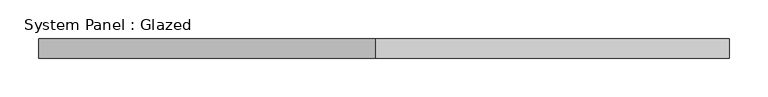
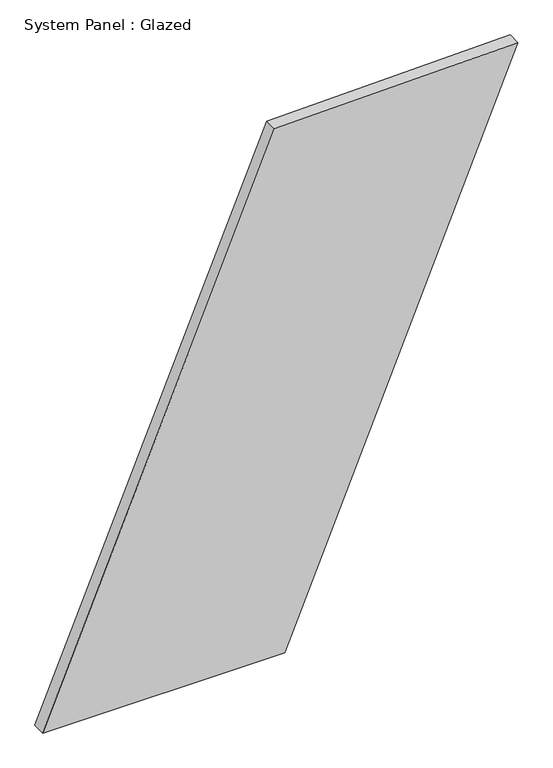
"""IFC4 building model written with IfcOpenShell, lengths in millimetres: plate geometry, System Panel : Glazed."""

from ifc_helpers import new_model, si_unit, frame, origin, place, context, project, spatial, polyline, outline, extrude, source, transform, mapped, element, save


def system_panel_glazed_e569876f(model_context):
    return source(origin(), model_context, "Body", "SweptSolid", [
        extrude(outline(polyline([(0.0, -446.1358729), (0.0, 8.8831579), (1058.6150784, 446.1358729), (1047.0436784, -10.7687465), (0.0, -446.1358729)])), frame((0.0, -49.5, 0.0), z_axis=(0.0, 1.0, 0.0), x_axis=(0.0, 0.0, 1.0)), (0.0, 0.0, 1.0), 25.0),
    ])


if __name__ == "__main__":
    model = new_model("IFC4")
    model_context = context("Model", 3, world=origin())
    ifc_project = project(units=[si_unit("LENGTHUNIT", "METRE", prefix="MILLI")], contexts=[model_context])
    site = spatial("IfcSite", under=ifc_project)
    building = spatial("IfcBuilding", under=site)
    placement = place(None, origin())
    system_panel_glazed_shape = system_panel_glazed_e569876f(model_context)
    element("IfcPlate", 1, ObjectType="System Panel : Glazed", at=placement, inside=building, context=model_context, shape_type="MappedRepresentation", body=[
        mapped(system_panel_glazed_shape, transform((0.0, 0.0, 0.0), x_axis=(1.0, 0.0, 0.0), y_axis=(0.0, 1.0, 0.0), z_axis=(0.0, 0.0, 1.0))),
    ])
    save(model, "model.ifc")
